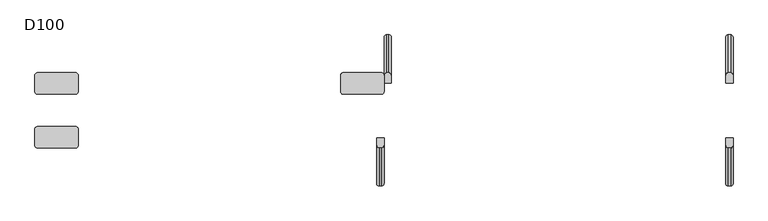
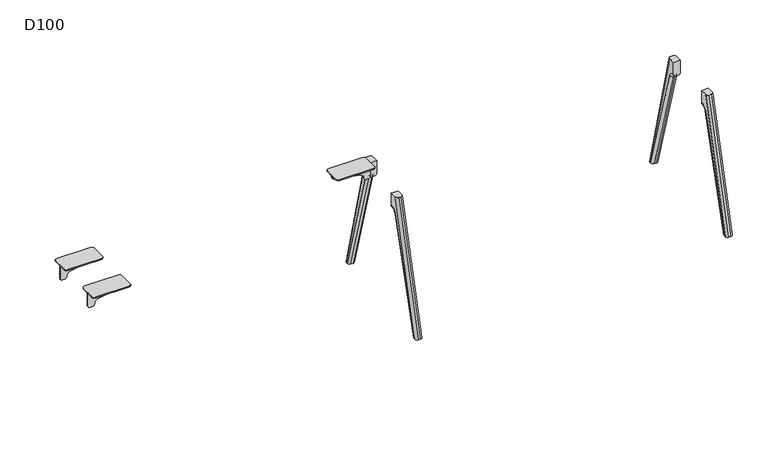
"""IFC4 building model written with IfcOpenShell, lengths in millimetres: furniture geometry, D100."""

from ifc_helpers import new_model, si_unit, point, frame, origin, place, context, project, spatial, polyline, circle_curve, ellipse_curve, trimmed, source, transform, mapped, element, save
from ifc_brep_helpers import plane_surface, cylinder_surface, revolved_surface, advanced_brep


def d100_c9286525(model_context):
    return source(origin(), model_context, "Body", "AdvancedBrep", [
        advanced_brep(
        [(-69.7259826, 165.2234902, 821.5334099), (-243.5086325, 165.2234902, 852.5006338), (-260.0, 165.2234902, 872.1904661), (-260.0, 165.2234902, 880.0006338), (0.0, 165.2234902, 880.0006338), (0.0, 165.2234902, 791.0006338), (-15.0, 165.2234902, 776.0006338), (-30.0, 165.2234902, 776.0006338), (-44.9963104, 165.2234902, 791.3333097), (-69.7259826, 159.2234902, 821.5334099), (-44.9963104, 159.2234902, 791.3333097), (-30.0, 159.2234902, 776.0006338), (-15.0, 159.2234902, 776.0006338), (0.0, 159.2234902, 791.0006338), (0.0, 159.2234902, 880.0006338), (-260.0, 159.2234902, 880.0006338), (-260.0, 159.2234902, 872.1904661), (-243.5086325, 159.2234902, 852.5006338), (0.0, 113.2234902, 886.0006338), (0.0, 113.2234902, 880.0006338), (0.0, 211.2234902, 880.0006338), (0.0, 211.2234902, 886.0006338), (-16.0, 227.2234902, 886.0006338), (-244.0, 227.2234902, 886.0006338), (-260.0, 211.2234902, 886.0006338), (-260.0, 113.2234902, 886.0006338), (-244.0, 97.2234902, 886.0006338), (-16.0, 97.2234902, 886.0006338), (-260.0, 211.2234902, 880.0006338), (-260.0, 113.2234902, 880.0006338), (-16.0, 97.2234902, 880.0006338), (-244.0, 97.2234902, 880.0006338), (-244.0, 227.2234902, 880.0006338), (-16.0, 227.2234902, 880.0006338)],
        [
            (0, 1),
            (1, 2, circle_curve(frame((-240.0, 165.2234902, 872.1904661), z_axis=(0.0, 1.0, 0.0), x_axis=(1.0, 0.0, 0.0)), 20.0)),
            (2, 3),
            (3, 4),
            (4, 5),
            (5, 6, circle_curve(frame((-15.0, 165.2234902, 791.0006338), z_axis=(0.0, 1.0, 0.0), x_axis=(1.0, 0.0, 0.0)), 15.0)),
            (6, 7),
            (7, 8, circle_curve(frame((-30.0, 165.2234902, 791.0006338), z_axis=(0.0, 1.0, 0.0), x_axis=(1.0, 0.0, 0.0)), 15.0)),
            (8, 0, circle_curve(frame((-74.9889313, 165.2234902, 791.9986614), z_axis=(0.0, -1.0, 0.0), x_axis=(1.0, 0.0, 0.0)), 30.0)),
            (9, 10, circle_curve(frame((-74.9889313, 159.2234902, 791.9986614), z_axis=(0.0, 1.0, 0.0), x_axis=(1.0, 0.0, 0.0)), 30.0)),
            (10, 11, circle_curve(frame((-30.0, 159.2234902, 791.0006338), z_axis=(0.0, -1.0, 0.0), x_axis=(1.0, 0.0, 0.0)), 15.0)),
            (11, 12),
            (12, 13, circle_curve(frame((-15.0, 159.2234902, 791.0006338), z_axis=(0.0, -1.0, 0.0), x_axis=(1.0, 0.0, 0.0)), 15.0)),
            (13, 14),
            (14, 15),
            (15, 16),
            (16, 17, circle_curve(frame((-240.0, 159.2234902, 872.1904661), z_axis=(0.0, -1.0, 0.0), x_axis=(1.0, 0.0, 0.0)), 20.0)),
            (17, 9),
            (8, 10),
            (9, 0),
            (18, 19),
            (19, 14),
            (13, 5),
            (4, 20),
            (20, 21),
            (21, 18),
            (21, 22, circle_curve(frame((-16.0, 211.2234902, 886.0006338), z_axis=(0.0, 0.0, 1.0), x_axis=(-1.0, 0.0, 0.0)), 16.0)),
            (22, 23),
            (23, 24, circle_curve(frame((-244.0, 211.2234902, 886.0006338), z_axis=(0.0, 0.0, 1.0), x_axis=(-1.0, 0.0, 0.0)), 16.0)),
            (24, 25),
            (25, 26, circle_curve(frame((-244.0, 113.2234902, 886.0006338), z_axis=(0.0, 0.0, 1.0), x_axis=(-1.0, 0.0, 0.0)), 16.0)),
            (26, 27),
            (27, 18, circle_curve(frame((-16.0, 113.2234902, 886.0006338), z_axis=(0.0, 0.0, 1.0), x_axis=(-1.0, 0.0, 0.0)), 16.0)),
            (24, 28),
            (28, 3),
            (2, 16),
            (15, 29),
            (29, 25),
            (1, 17),
            (7, 11),
            (6, 12),
            (30, 31),
            (31, 29, circle_curve(frame((-244.0, 113.2234902, 880.0006338), z_axis=(0.0, 0.0, -1.0), x_axis=(-1.0, 0.0, 0.0)), 16.0)),
            (19, 30, circle_curve(frame((-16.0, 113.2234902, 880.0006338), z_axis=(0.0, 0.0, -1.0), x_axis=(-1.0, 0.0, 0.0)), 16.0)),
            (28, 32, circle_curve(frame((-244.0, 211.2234902, 880.0006338), z_axis=(0.0, 0.0, -1.0), x_axis=(-1.0, 0.0, 0.0)), 16.0)),
            (32, 33),
            (33, 20, circle_curve(frame((-16.0, 211.2234902, 880.0006338), z_axis=(0.0, 0.0, -1.0), x_axis=(-1.0, 0.0, 0.0)), 16.0)),
            (27, 30),
            (33, 22),
            (32, 23),
            (31, 26),
        ],
        [
            plane_surface(frame((-243.5086325, 165.2234902, 852.5006338), z_axis=(0.0, 1.0000000000000002, 0.0), x_axis=(-0.9844916178685641, 0.0, 0.175431622994651))),
            plane_surface(frame((-243.5086325, 159.2234902, 852.5006338), z_axis=(0.0, -1.0000000000000002, 0.0), x_axis=(0.9844916178685641, 0.0, -0.175431622994651))),
            revolved_surface(polyline([(-44.988931300000004, 159.2234902, 791.9986614), (-44.988931300000004, 165.2234902, 791.9986614)]), (-74.9889313, 159.2234902, 791.9986614), (0.0, -1.0, 0.0)),
            plane_surface(frame((0.0, 165.2234902, 886.0006338), z_axis=(1.0, 0.0, 0.0), x_axis=(0.0, -1.0, 0.0))),
            plane_surface(frame((-260.0, 165.2234902, 886.0006338), z_axis=(0.0, 0.0, 1.0), x_axis=(0.0, -1.0, 0.0))),
            plane_surface(frame((-260.0, 165.2234902, 872.1904661), z_axis=(-1.0, 0.0, 0.0), x_axis=(0.0, -1.0, 0.0))),
            cylinder_surface(frame((-240.0, 159.2234902, 872.1904661), z_axis=(0.0, 1.0, 0.0), x_axis=(1.0, 0.0, 0.0)), 20.0),
            plane_surface(frame((-69.7259826, 165.2234902, 821.5334099), z_axis=(-0.175431622994651, 0.0, -0.9844916178685641), x_axis=(0.0, -1.0, 0.0))),
            cylinder_surface(frame((-30.0, 159.2234902, 791.0006338), z_axis=(0.0, 1.0, 0.0), x_axis=(1.0, 0.0, 0.0)), 15.0),
            plane_surface(frame((-15.0, 165.2234902, 776.0006338), z_axis=(0.0, 0.0, -1.0), x_axis=(0.0, -1.0, 0.0))),
            cylinder_surface(frame((-15.0, 159.2234902, 791.0006338), z_axis=(0.0, 1.0, 0.0), x_axis=(1.0, 0.0, 0.0)), 15.0),
            plane_surface(frame((-32.0, 113.2234902, 880.0006338), z_axis=(0.0, 0.0, -1.0), x_axis=(0.0, 1.0, 0.0))),
            cylinder_surface(frame((-16.0, 113.2234902, 880.0006338), z_axis=(0.0, 0.0, 1.0), x_axis=(-1.0, 0.0, 0.0)), 16.0),
            cylinder_surface(frame((-16.0, 211.2234902, 880.0006338), z_axis=(0.0, 0.0, 1.0), x_axis=(-1.0, 0.0, 0.0)), 16.0),
            plane_surface(frame((-16.0, 227.2234902, 886.0006338), z_axis=(0.0, 1.0, 0.0), x_axis=(0.0, 0.0, -1.0))),
            cylinder_surface(frame((-244.0, 211.2234902, 880.0006338), z_axis=(0.0, 0.0, 1.0), x_axis=(-1.0, 0.0, 0.0)), 16.0),
            cylinder_surface(frame((-244.0, 113.2234902, 880.0006338), z_axis=(0.0, 0.0, 1.0), x_axis=(-1.0, 0.0, 0.0)), 16.0),
            plane_surface(frame((-244.0, 97.2234902, 886.0006338), z_axis=(0.0, -1.0, 0.0), x_axis=(0.0, 0.0, -1.0))),
        ],
        [
            (0, [[1, 2, 3, 4, 5, 6, 7, 8, 9]]),
            (1, [[10, 11, 12, 13, 14, 15, 16, 17, 18]]),
            (2, [[-9, 19, -10, 20]]),
            (3, [[21, 22, -14, 23, -5, 24, 25, 26]]),
            (4, [[-26, 27, 28, 29, 30, 31, 32, 33]]),
            (5, [[-30, 34, 35, -3, 36, -16, 37, 38]]),
            (6, [[-2, 39, -17, -36]]),
            (7, [[-1, -20, -18, -39]]),
            (8, [[-8, 40, -11, -19]]),
            (9, [[-7, 41, -12, -40]]),
            (10, [[-6, -23, -13, -41]]),
            (11, [[42, 43, -37, -15, -22, 44]]),
            (11, [[45, 46, 47, -24, -4, -35]]),
            (12, [[-33, 48, -44, -21]]),
            (13, [[-27, -25, -47, 49]]),
            (14, [[-28, -49, -46, 50]]),
            (15, [[-29, -50, -45, -34]]),
            (16, [[-31, -38, -43, 51]]),
            (17, [[-32, -51, -42, -48]]),
        ],
    ),
        advanced_brep(
        [(-2029.2740174, -165.2234902, 821.5334099), (-1855.4913675, -165.2234902, 852.5006338), (-1839.0, -165.2234902, 872.1904661), (-1839.0, -165.2234902, 880.0006338), (-2099.0, -165.2234902, 880.0006338), (-2099.0, -165.2234902, 791.0006338), (-2084.0, -165.2234902, 776.0006338), (-2069.0, -165.2234902, 776.0006338), (-2054.0036896, -165.2234902, 791.3333097), (-2029.2740174, -159.2234902, 821.5334099), (-2054.0036896, -159.2234902, 791.3333097), (-2069.0, -159.2234902, 776.0006338), (-2084.0, -159.2234902, 776.0006338), (-2099.0, -159.2234902, 791.0006338), (-2099.0, -159.2234902, 880.0006338), (-1839.0, -159.2234902, 880.0006338), (-1839.0, -159.2234902, 872.1904661), (-1855.4913675, -159.2234902, 852.5006338), (-2099.0, -113.2234902, 886.0006338), (-2099.0, -113.2234902, 880.0006338), (-2099.0, -211.2234902, 880.0006338), (-2099.0, -211.2234902, 886.0006338), (-2083.0, -227.2234902, 886.0006338), (-1855.0, -227.2234902, 886.0006338), (-1839.0, -211.2234902, 886.0006338), (-1839.0, -113.2234902, 886.0006338), (-1855.0, -97.2234902, 886.0006338), (-2083.0, -97.2234902, 886.0006338), (-1839.0, -211.2234902, 880.0006338), (-1839.0, -113.2234902, 880.0006338), (-2083.0, -97.2234902, 880.0006338), (-1855.0, -97.2234902, 880.0006338), (-1855.0, -227.2234902, 880.0006338), (-2083.0, -227.2234902, 880.0006338)],
        [
            (0, 1),
            (1, 2, circle_curve(frame((-1859.0, -165.2234902, 872.1904661), z_axis=(0.0, -1.0, 0.0), x_axis=(-1.0, 0.0, 0.0)), 20.0)),
            (2, 3),
            (3, 4),
            (4, 5),
            (5, 6, circle_curve(frame((-2084.0, -165.2234902, 791.0006338), z_axis=(0.0, -1.0, 0.0), x_axis=(-1.0, 0.0, 0.0)), 15.0)),
            (6, 7),
            (7, 8, circle_curve(frame((-2069.0, -165.2234902, 791.0006338), z_axis=(0.0, -1.0, 0.0), x_axis=(-1.0, 0.0, 0.0)), 15.0)),
            (8, 0, circle_curve(frame((-2024.0110687, -165.2234902, 791.9986614), z_axis=(0.0, 1.0, 0.0), x_axis=(-1.0, 0.0, 0.0)), 30.0)),
            (9, 10, circle_curve(frame((-2024.0110687, -159.2234902, 791.9986614), z_axis=(0.0, -1.0, 0.0), x_axis=(-1.0, 0.0, 0.0)), 30.0)),
            (10, 11, circle_curve(frame((-2069.0, -159.2234902, 791.0006338), z_axis=(0.0, 1.0, 0.0), x_axis=(-1.0, 0.0, 0.0)), 15.0)),
            (11, 12),
            (12, 13, circle_curve(frame((-2084.0, -159.2234902, 791.0006338), z_axis=(0.0, 1.0, 0.0), x_axis=(-1.0, 0.0, 0.0)), 15.0)),
            (13, 14),
            (14, 15),
            (15, 16),
            (16, 17, circle_curve(frame((-1859.0, -159.2234902, 872.1904661), z_axis=(0.0, 1.0, 0.0), x_axis=(-1.0, 0.0, 0.0)), 20.0)),
            (17, 9),
            (8, 10),
            (9, 0),
            (18, 19),
            (19, 14),
            (13, 5),
            (4, 20),
            (20, 21),
            (21, 18),
            (21, 22, circle_curve(frame((-2083.0, -211.2234902, 886.0006338), z_axis=(0.0, 0.0, 1.0), x_axis=(1.0, 0.0, 0.0)), 16.0)),
            (22, 23),
            (23, 24, circle_curve(frame((-1855.0, -211.2234902, 886.0006338), z_axis=(0.0, 0.0, 1.0), x_axis=(1.0, 0.0, 0.0)), 16.0)),
            (24, 25),
            (25, 26, circle_curve(frame((-1855.0, -113.2234902, 886.0006338), z_axis=(0.0, 0.0, 1.0), x_axis=(1.0, 0.0, 0.0)), 16.0)),
            (26, 27),
            (27, 18, circle_curve(frame((-2083.0, -113.2234902, 886.0006338), z_axis=(0.0, 0.0, 1.0), x_axis=(1.0, 0.0, 0.0)), 16.0)),
            (24, 28),
            (28, 3),
            (2, 16),
            (15, 29),
            (29, 25),
            (1, 17),
            (7, 11),
            (6, 12),
            (30, 31),
            (31, 29, circle_curve(frame((-1855.0, -113.2234902, 880.0006338), z_axis=(0.0, 0.0, -1.0), x_axis=(1.0, 0.0, 0.0)), 16.0)),
            (19, 30, circle_curve(frame((-2083.0, -113.2234902, 880.0006338), z_axis=(0.0, 0.0, -1.0), x_axis=(1.0, 0.0, 0.0)), 16.0)),
            (28, 32, circle_curve(frame((-1855.0, -211.2234902, 880.0006338), z_axis=(0.0, 0.0, -1.0), x_axis=(1.0, 0.0, 0.0)), 16.0)),
            (32, 33),
            (33, 20, circle_curve(frame((-2083.0, -211.2234902, 880.0006338), z_axis=(0.0, 0.0, -1.0), x_axis=(1.0, 0.0, 0.0)), 16.0)),
            (27, 30),
            (33, 22),
            (32, 23),
            (31, 26),
        ],
        [
            plane_surface(frame((-1855.4913675, -165.2234902, 852.5006338), z_axis=(0.0, -1.0, 0.0), x_axis=(0.984491617868564, 0.0, 0.17543162299465118))),
            plane_surface(frame((-1855.4913675, -159.2234902, 852.5006338), z_axis=(0.0, 1.0, 0.0), x_axis=(-0.984491617868564, 0.0, -0.17543162299465118))),
            revolved_surface(polyline([(-2054.0110686999997, -159.2234902, 791.9986614), (-2054.0110686999997, -165.2234902, 791.9986614)]), (-2024.0110687, -159.2234902, 791.9986614), (0.0, 1.0, 0.0)),
            plane_surface(frame((-2099.0, -165.2234902, 886.0006338), z_axis=(-1.0, 0.0, 0.0), x_axis=(0.0, 1.0, 0.0))),
            plane_surface(frame((-1839.0, -165.2234902, 886.0006338), z_axis=(0.0, 0.0, 1.0), x_axis=(0.0, 1.0, 0.0))),
            plane_surface(frame((-1839.0, -165.2234902, 872.1904661), z_axis=(1.0, 0.0, 0.0), x_axis=(0.0, 1.0, 0.0))),
            cylinder_surface(frame((-1859.0, -159.2234902, 872.1904661), z_axis=(0.0, -1.0, 0.0), x_axis=(-1.0, 0.0, 0.0)), 20.0),
            plane_surface(frame((-2029.2740174, -165.2234902, 821.5334099), z_axis=(0.17543162299465118, 0.0, -0.984491617868564), x_axis=(0.0, 1.0, 0.0))),
            cylinder_surface(frame((-2069.0, -159.2234902, 791.0006338), z_axis=(0.0, -1.0, 0.0), x_axis=(-1.0, 0.0, 0.0)), 15.0),
            plane_surface(frame((-2084.0, -165.2234902, 776.0006338), z_axis=(0.0, 0.0, -1.0), x_axis=(0.0, 1.0, 0.0))),
            cylinder_surface(frame((-2084.0, -159.2234902, 791.0006338), z_axis=(0.0, -1.0, 0.0), x_axis=(-1.0, 0.0, 0.0)), 15.0),
            plane_surface(frame((-2067.0, -113.2234902, 880.0006338), z_axis=(0.0, 0.0, -1.0), x_axis=(0.0, -1.0, 0.0))),
            cylinder_surface(frame((-2083.0, -113.2234902, 880.0006338), z_axis=(0.0, 0.0, 1.0), x_axis=(1.0, 0.0, 0.0)), 16.0),
            cylinder_surface(frame((-2083.0, -211.2234902, 880.0006338), z_axis=(0.0, 0.0, 1.0), x_axis=(1.0, 0.0, 0.0)), 16.0),
            plane_surface(frame((-2083.0, -227.2234902, 886.0006338), z_axis=(0.0, -1.0, 0.0), x_axis=(0.0, 0.0, -1.0))),
            cylinder_surface(frame((-1855.0, -211.2234902, 880.0006338), z_axis=(0.0, 0.0, 1.0), x_axis=(1.0, 0.0, 0.0)), 16.0),
            cylinder_surface(frame((-1855.0, -113.2234902, 880.0006338), z_axis=(0.0, 0.0, 1.0), x_axis=(1.0, 0.0, 0.0)), 16.0),
            plane_surface(frame((-1855.0, -97.2234902, 886.0006338), z_axis=(0.0, 1.0, 0.0), x_axis=(0.0, 0.0, -1.0))),
        ],
        [
            (0, [[1, 2, 3, 4, 5, 6, 7, 8, 9]]),
            (1, [[10, 11, 12, 13, 14, 15, 16, 17, 18]]),
            (2, [[-9, 19, -10, 20]]),
            (3, [[21, 22, -14, 23, -5, 24, 25, 26]]),
            (4, [[-26, 27, 28, 29, 30, 31, 32, 33]]),
            (5, [[-30, 34, 35, -3, 36, -16, 37, 38]]),
            (6, [[-2, 39, -17, -36]]),
            (7, [[-1, -20, -18, -39]]),
            (8, [[-8, 40, -11, -19]]),
            (9, [[-7, 41, -12, -40]]),
            (10, [[-6, -23, -13, -41]]),
            (11, [[42, 43, -37, -15, -22, 44]]),
            (11, [[45, 46, 47, -24, -4, -35]]),
            (12, [[-33, 48, -44, -21]]),
            (13, [[-27, -25, -47, 49]]),
            (14, [[-28, -49, -46, 50]]),
            (15, [[-29, -50, -45, -34]]),
            (16, [[-31, -38, -43, 51]]),
            (17, [[-32, -51, -42, -48]]),
        ],
    ),
        advanced_brep(
        [(-2029.2740174, 165.2234902, 821.5334099), (-2054.0036896, 165.2234902, 791.3333097), (-2069.0, 165.2234902, 776.0006338), (-2084.0, 165.2234902, 776.0006338), (-2099.0, 165.2234902, 791.0006338), (-2099.0, 165.2234902, 880.0006338), (-1839.0, 165.2234902, 880.0006338), (-1839.0, 165.2234902, 872.1904661), (-1855.4913675, 165.2234902, 852.5006338), (-2029.2740174, 159.2234902, 821.5334099), (-1855.4913675, 159.2234902, 852.5006338), (-1839.0, 159.2234902, 872.1904661), (-1839.0, 159.2234902, 880.0006338), (-2099.0, 159.2234902, 880.0006338), (-2099.0, 159.2234902, 791.0006338), (-2084.0, 159.2234902, 776.0006338), (-2069.0, 159.2234902, 776.0006338), (-2054.0036896, 159.2234902, 791.3333097), (-2099.0, 113.2234902, 880.0006338), (-2099.0, 113.2234902, 886.0006338), (-2099.0, 211.2234902, 886.0006338), (-2099.0, 211.2234902, 880.0006338), (-2083.0, 97.2234902, 886.0006338), (-1855.0, 97.2234902, 886.0006338), (-1839.0, 113.2234902, 886.0006338), (-1839.0, 211.2234902, 886.0006338), (-1855.0, 227.2234902, 886.0006338), (-2083.0, 227.2234902, 886.0006338), (-1839.0, 113.2234902, 880.0006338), (-1839.0, 211.2234902, 880.0006338), (-2083.0, 97.2234902, 880.0006338), (-1855.0, 97.2234902, 880.0006338), (-2083.0, 227.2234902, 880.0006338), (-1855.0, 227.2234902, 880.0006338)],
        [
            (0, 1, circle_curve(frame((-2024.0110687, 165.2234902, 791.9986614), z_axis=(0.0, -1.0, 0.0), x_axis=(-1.0, 0.0, 0.0)), 30.0)),
            (1, 2, circle_curve(frame((-2069.0, 165.2234902, 791.0006338), z_axis=(0.0, 1.0, 0.0), x_axis=(-1.0, 0.0, 0.0)), 15.0)),
            (2, 3),
            (3, 4, circle_curve(frame((-2084.0, 165.2234902, 791.0006338), z_axis=(0.0, 1.0, 0.0), x_axis=(-1.0, 0.0, 0.0)), 15.0)),
            (4, 5),
            (5, 6),
            (6, 7),
            (7, 8, circle_curve(frame((-1859.0, 165.2234902, 872.1904661), z_axis=(0.0, 1.0, 0.0), x_axis=(-1.0, 0.0, 0.0)), 20.0)),
            (8, 0),
            (9, 10),
            (10, 11, circle_curve(frame((-1859.0, 159.2234902, 872.1904661), z_axis=(0.0, -1.0, 0.0), x_axis=(-1.0, 0.0, 0.0)), 20.0)),
            (11, 12),
            (12, 13),
            (13, 14),
            (14, 15, circle_curve(frame((-2084.0, 159.2234902, 791.0006338), z_axis=(0.0, -1.0, 0.0), x_axis=(-1.0, 0.0, 0.0)), 15.0)),
            (15, 16),
            (16, 17, circle_curve(frame((-2069.0, 159.2234902, 791.0006338), z_axis=(0.0, -1.0, 0.0), x_axis=(-1.0, 0.0, 0.0)), 15.0)),
            (17, 9, circle_curve(frame((-2024.0110687, 159.2234902, 791.9986614), z_axis=(0.0, 1.0, 0.0), x_axis=(-1.0, 0.0, 0.0)), 30.0)),
            (0, 9),
            (17, 1),
            (4, 14),
            (13, 18),
            (18, 19),
            (19, 20),
            (20, 21),
            (21, 5),
            (19, 22, circle_curve(frame((-2083.0, 113.2234902, 886.0006338), z_axis=(0.0, 0.0, 1.0), x_axis=(1.0, 0.0, 0.0)), 16.0)),
            (22, 23),
            (23, 24, circle_curve(frame((-1855.0, 113.2234902, 886.0006338), z_axis=(0.0, 0.0, 1.0), x_axis=(1.0, 0.0, 0.0)), 16.0)),
            (24, 25),
            (25, 26, circle_curve(frame((-1855.0, 211.2234902, 886.0006338), z_axis=(0.0, 0.0, 1.0), x_axis=(1.0, 0.0, 0.0)), 16.0)),
            (26, 27),
            (27, 20, circle_curve(frame((-2083.0, 211.2234902, 886.0006338), z_axis=(0.0, 0.0, 1.0), x_axis=(1.0, 0.0, 0.0)), 16.0)),
            (24, 28),
            (28, 12),
            (11, 7),
            (6, 29),
            (29, 25),
            (10, 8),
            (16, 2),
            (15, 3),
            (30, 18, circle_curve(frame((-2083.0, 113.2234902, 880.0006338), z_axis=(0.0, 0.0, -1.0), x_axis=(1.0, 0.0, 0.0)), 16.0)),
            (28, 31, circle_curve(frame((-1855.0, 113.2234902, 880.0006338), z_axis=(0.0, 0.0, -1.0), x_axis=(1.0, 0.0, 0.0)), 16.0)),
            (31, 30),
            (21, 32, circle_curve(frame((-2083.0, 211.2234902, 880.0006338), z_axis=(0.0, 0.0, -1.0), x_axis=(1.0, 0.0, 0.0)), 16.0)),
            (32, 33),
            (33, 29, circle_curve(frame((-1855.0, 211.2234902, 880.0006338), z_axis=(0.0, 0.0, -1.0), x_axis=(1.0, 0.0, 0.0)), 16.0)),
            (30, 22),
            (27, 32),
            (26, 33),
            (23, 31),
        ],
        [
            plane_surface(frame((-2054.0110687, 165.2234902, 791.9986614), z_axis=(0.0, 1.0, 0.0), x_axis=(0.0, 0.0, -1.0))),
            plane_surface(frame((-2054.0110687, 159.2234902, 791.9986614), z_axis=(0.0, -1.0, 0.0), x_axis=(0.0, 0.0, 1.0))),
            revolved_surface(polyline([(-2054.0110686999997, 159.2234902, 791.9986614), (-2054.0110686999997, 165.2234902, 791.9986614)]), (-2024.0110687, 159.2234902, 791.9986614), (0.0, -1.0, 0.0)),
            plane_surface(frame((-2099.0, 165.2234902, 791.0006338), z_axis=(-1.0, 0.0, 0.0), x_axis=(0.0, -1.0, 0.0))),
            plane_surface(frame((-2099.0, 165.2234902, 886.0006338), z_axis=(0.0, 0.0, 1.0), x_axis=(0.0, -1.0, 0.0))),
            plane_surface(frame((-1839.0, 165.2234902, 886.0006338), z_axis=(1.0, 0.0, 0.0), x_axis=(0.0, -1.0, 0.0))),
            cylinder_surface(frame((-1859.0, 159.2234902, 872.1904661), z_axis=(0.0, 1.0, 0.0), x_axis=(-1.0, 0.0, 0.0)), 20.0),
            plane_surface(frame((-1855.4913675, 165.2234902, 852.5006338), z_axis=(0.17543162299465118, 0.0, -0.984491617868564), x_axis=(0.0, -1.0, 0.0))),
            cylinder_surface(frame((-2069.0, 159.2234902, 791.0006338), z_axis=(0.0, 1.0, 0.0), x_axis=(-1.0, 0.0, 0.0)), 15.0),
            plane_surface(frame((-2069.0, 165.2234902, 776.0006338), z_axis=(0.0, 0.0, -1.0), x_axis=(0.0, -1.0, 0.0))),
            cylinder_surface(frame((-2084.0, 159.2234902, 791.0006338), z_axis=(0.0, 1.0, 0.0), x_axis=(-1.0, 0.0, 0.0)), 15.0),
            plane_surface(frame((-1855.0, 97.2234902, 880.0006338), z_axis=(0.0, 0.0, -1.0), x_axis=(-1.0, 0.0, 0.0))),
            cylinder_surface(frame((-2083.0, 113.2234902, 880.0006338), z_axis=(0.0, 0.0, 1.0), x_axis=(1.0, 0.0, 0.0)), 16.0),
            cylinder_surface(frame((-2083.0, 211.2234902, 880.0006338), z_axis=(0.0, 0.0, 1.0), x_axis=(1.0, 0.0, 0.0)), 16.0),
            plane_surface(frame((-1855.0, 227.2234902, 886.0006338), z_axis=(0.0, 1.0, 0.0), x_axis=(0.0, 0.0, -1.0))),
            cylinder_surface(frame((-1855.0, 211.2234902, 880.0006338), z_axis=(0.0, 0.0, 1.0), x_axis=(1.0, 0.0, 0.0)), 16.0),
            cylinder_surface(frame((-1855.0, 113.2234902, 880.0006338), z_axis=(0.0, 0.0, 1.0), x_axis=(1.0, 0.0, 0.0)), 16.0),
            plane_surface(frame((-2083.0, 97.2234902, 886.0006338), z_axis=(0.0, -1.0, 0.0), x_axis=(0.0, 0.0, -1.0))),
        ],
        [
            (0, [[1, 2, 3, 4, 5, 6, 7, 8, 9]]),
            (1, [[10, 11, 12, 13, 14, 15, 16, 17, 18]]),
            (2, [[-1, 19, -18, 20]]),
            (3, [[21, -14, 22, 23, 24, 25, 26, -5]]),
            (4, [[-24, 27, 28, 29, 30, 31, 32, 33]]),
            (5, [[-30, 34, 35, -12, 36, -7, 37, 38]]),
            (6, [[-8, -36, -11, 39]]),
            (7, [[-9, -39, -10, -19]]),
            (8, [[-2, -20, -17, 40]]),
            (9, [[-3, -40, -16, 41]]),
            (10, [[-4, -41, -15, -21]]),
            (11, [[42, -22, -13, -35, 43, 44]]),
            (11, [[45, 46, 47, -37, -6, -26]]),
            (12, [[-27, -23, -42, 48]]),
            (13, [[-33, 49, -45, -25]]),
            (14, [[-32, 50, -46, -49]]),
            (15, [[-31, -38, -47, -50]]),
            (16, [[-29, 51, -43, -34]]),
            (17, [[-28, -48, -44, -51]]),
        ],
    ),
        advanced_brep(
        [(2084.0, -196.7124504, 753.5883612), (2099.0, -211.1253977, 757.7437132), (2099.0, -429.58813, 0.0), (2084.0, -413.9771661, 0.0), (2054.0, -211.1253977, 757.7437132), (2069.0, -196.7124504, 753.5883612), (2069.0, -413.9771661, 0.0), (2054.0, -429.58813, 0.0), (2099.0, -166.9256926, 791.0006338), (2084.0, -166.9256926, 776.0006338), (2084.0, -165.2234902, 776.0006338), (2099.0, -165.2234902, 791.0006338), (2069.0, -166.9256926, 776.0006338), (2054.0, -166.9256926, 791.0006338), (2054.0, -165.2234902, 791.0006338), (2069.0, -165.2234902, 776.0006338), (2054.0, -165.2234902, 880.0006338), (2054.0, -439.8031746, 0.0), (2054.0, -211.7278851, 880.0006338), (2099.0, -165.2234902, 880.0006338), (2099.0, -211.7278851, 880.0006338), (2099.0, -439.8031746, 0.0), (2084.0, -455.2987797, 0.0), (2069.0, -455.2987797, 0.0), (2084.0, -227.2234902, 880.0006338), (2069.0, -227.2234902, 880.0006338)],
        [
            (0, 1, circle_curve(frame((2084.0, -211.1253977, 757.7437132), z_axis=(0.0, -0.2770234661368847, -0.9608631532166827), x_axis=(0.0, 0.9608631532166827, -0.2770234661368847)), 15.0)),
            (1, 2),
            (2, 3, ellipse_curve(frame((2084.0, -429.58813, 0.0), z_axis=(0.0, 0.0, 1.0), x_axis=(0.0, 1.0, 0.0)), 15.6109639, 15.0)),
            (3, 0),
            (4, 5, circle_curve(frame((2069.0, -211.1253977, 757.7437132), z_axis=(0.0, -0.2770234661368847, -0.9608631532166827), x_axis=(0.0, 0.9608631532166827, -0.2770234661368847)), 15.0)),
            (5, 6),
            (6, 7, ellipse_curve(frame((2069.0, -429.58813, 0.0), z_axis=(0.0, 0.0, 1.0), x_axis=(0.0, 1.0, 0.0)), 15.6109639, 15.0)),
            (7, 4),
            (8, 9, circle_curve(frame((2084.0, -166.9256926, 791.0006338), z_axis=(0.0, 1.0, 0.0), x_axis=(0.0, 0.0, -1.0)), 15.0)),
            (9, 10),
            (10, 11, circle_curve(frame((2084.0, -165.2234902, 791.0006338), z_axis=(0.0, -1.0, 0.0), x_axis=(0.0, 0.0, -1.0)), 15.0)),
            (11, 8),
            (12, 13, circle_curve(frame((2069.0, -166.9256926, 791.0006338), z_axis=(0.0, 1.0, 0.0), x_axis=(0.0, 0.0, -1.0)), 15.0)),
            (13, 14),
            (14, 15, circle_curve(frame((2069.0, -165.2234902, 791.0006338), z_axis=(0.0, -1.0, 0.0), x_axis=(0.0, 0.0, -1.0)), 15.0)),
            (15, 12),
            (0, 9, circle_curve(frame((2084.0, -166.9256926, 745.0006338), z_axis=(-1.0, 0.0, 0.0), x_axis=(0.0, -0.9608631532166849, 0.2770234661368772)), 31.0)),
            (8, 1, circle_curve(frame((2099.0, -166.9256926, 745.0006338), z_axis=(1.0, 0.0, 0.0), x_axis=(0.0, -0.9608631532166849, 0.2770234661368772)), 46.0)),
            (4, 13, circle_curve(frame((2054.0, -166.9256926, 745.0006338), z_axis=(-1.0, 0.0, 0.0), x_axis=(0.0, -0.9608631532166849, 0.2770234661368772)), 46.0)),
            (12, 5, circle_curve(frame((2069.0, -166.9256926, 745.0006338), z_axis=(1.0, 0.0, 0.0), x_axis=(0.0, -0.9608631532166849, 0.2770234661368772)), 31.0)),
            (16, 14),
            (7, 17),
            (17, 18),
            (18, 16),
            (11, 19),
            (19, 20),
            (20, 21),
            (21, 2),
            (5, 0),
            (3, 6),
            (21, 22, ellipse_curve(frame((2084.0, -439.8031746, 0.0), z_axis=(0.0, 0.0, -1.0), x_axis=(0.0, 1.0, 0.0)), 15.4956051, 15.0)),
            (22, 23),
            (23, 17, ellipse_curve(frame((2069.0, -439.8031746, 0.0), z_axis=(0.0, 0.0, -1.0), x_axis=(0.0, 1.0, 0.0)), 15.4956051, 15.0)),
            (22, 24),
            (24, 25),
            (25, 23),
            (19, 16),
            (18, 25, ellipse_curve(frame((2069.0, -211.7278851, 880.0006338), z_axis=(0.0, 0.0, 1.0), x_axis=(0.0, 1.0, 0.0)), 15.4956051, 15.0)),
            (24, 20, ellipse_curve(frame((2084.0, -211.7278851, 880.0006338), z_axis=(0.0, 0.0, 1.0), x_axis=(0.0, 1.0, 0.0)), 15.4956051, 15.0)),
            (10, 15),
            (9, 12),
        ],
        [
            cylinder_surface(frame((2084.0, -448.1062889, -64.2307193), z_axis=(0.0, 0.2770234661368847, 0.9608631532166827), x_axis=(0.0, 0.9608631532166827, -0.2770234661368847)), 15.0),
            cylinder_surface(frame((2069.0, -448.1062889, -64.2307193), z_axis=(0.0, 0.2770234661368847, 0.9608631532166827), x_axis=(0.0, 0.9608631532166827, -0.2770234661368847)), 15.0),
            cylinder_surface(frame((2084.0, -166.9256926, 791.0006338), z_axis=(0.0, 1.0, 0.0), x_axis=(0.0, 0.0, -1.0)), 15.0),
            cylinder_surface(frame((2069.0, -166.9256926, 791.0006338), z_axis=(0.0, 1.0, 0.0), x_axis=(0.0, 0.0, -1.0)), 15.0),
            revolved_surface(trimmed(ellipse_curve(frame((2084.0, -211.1253977, 757.7437132), z_axis=(0.0, -0.27702346613687723, -0.9608631532166849), x_axis=(0.0, 0.9608631532166849, -0.27702346613687723)), 15.0, 15.0), [point((2084.0, -196.7124504, 753.5883612))], [point((2099.0, -211.1253977, 757.7437132))], True, "CARTESIAN"), (1317.0, -166.9256926, 745.0006338), (-1.0, 0.0, 0.0)),
            revolved_surface(trimmed(ellipse_curve(frame((2069.0, -211.1253977, 757.7437132), z_axis=(0.0, -0.27702346613687723, -0.9608631532166849), x_axis=(0.0, 0.9608631532166849, -0.27702346613687723)), 15.0, 15.0), [point((2054.0, -211.1253977, 757.7437132))], [point((2069.0, -196.7124504, 753.5883612))], True, "CARTESIAN"), (1317.0, -166.9256926, 745.0006338), (-1.0, 0.0, 0.0)),
            plane_surface(frame((2054.0, -413.4231192, 1.9217263), z_axis=(-1.0000000000000002, 0.0, 0.0), x_axis=(0.0, -0.2770234661368848, -0.9608631532166828))),
            plane_surface(frame((2099.0, -413.4231192, 1.9217263), z_axis=(1.0000000000000002, 0.0, 0.0), x_axis=(0.0, 0.2770234661368848, 0.9608631532166828))),
            plane_surface(frame((2054.0, -196.7124504, 753.5883612), z_axis=(0.0, 0.9608631532166828, -0.2770234661368848), x_axis=(1.0, 0.0, 0.0))),
            plane_surface(frame((2054.0, -413.9771661, 0.0), z_axis=(0.0, 0.0, -1.0), x_axis=(1.0, 0.0, 0.0))),
            plane_surface(frame((2054.0, -455.2987797, 0.0), z_axis=(0.0, -0.9680164090089575, 0.25088689062883046), x_axis=(1.0, 0.0, 0.0))),
            plane_surface(frame((2054.0, -227.2234902, 880.0006338), z_axis=(0.0, 0.0, 1.0), x_axis=(1.0, 0.0, 0.0))),
            plane_surface(frame((2054.0, -165.2234902, 880.0006338), z_axis=(0.0, 1.0, 0.0), x_axis=(1.0, 0.0, 0.0))),
            plane_surface(frame((2054.0, -165.2234902, 776.0006338), z_axis=(0.0, 0.0, -1.0), x_axis=(1.0, 0.0, 0.0))),
            revolved_surface(polyline([(2084.0, -135.9256926, 745.0006338), (2069.0, -135.9256926, 745.0006338)]), (2099.0, -166.9256926, 745.0006338), (1.0, 0.0, 0.0)),
            cylinder_surface(frame((2084.0, -457.7527706, -69.2563225), z_axis=(0.0, 0.25088689062883374, 0.9680164090089567), x_axis=(0.0, 0.9680164090089567, -0.25088689062883374)), 15.0),
            cylinder_surface(frame((2069.0, -457.7527706, -69.2563225), z_axis=(0.0, 0.25088689062883374, 0.9680164090089567), x_axis=(0.0, 0.9680164090089567, -0.25088689062883374)), 15.0),
        ],
        [
            (0, [[1, 2, 3, 4]]),
            (1, [[5, 6, 7, 8]]),
            (2, [[9, 10, 11, 12]]),
            (3, [[13, 14, 15, 16]]),
            (4, [[-1, 17, -9, 18]]),
            (5, [[-5, 19, -13, 20]]),
            (6, [[21, -14, -19, -8, 22, 23, 24]]),
            (7, [[25, 26, 27, 28, -2, -18, -12]]),
            (8, [[29, -4, 30, -6]]),
            (9, [[-30, -3, -28, 31, 32, 33, -22, -7]]),
            (10, [[-32, 34, 35, 36]]),
            (11, [[37, -24, 38, -35, 39, -26]]),
            (12, [[-37, -25, -11, 40, -15, -21]]),
            (13, [[-40, -10, 41, -16]]),
            (14, [[-29, -20, -41, -17]]),
            (15, [[-27, -39, -34, -31]]),
            (16, [[-23, -33, -36, -38]]),
        ],
    ),
        advanced_brep(
        [(2084.0, 166.9256926, 776.0006338), (2099.0, 166.9256926, 791.0006338), (2099.0, 165.2234902, 791.0006338), (2084.0, 165.2234902, 776.0006338), (2054.0, 166.9256926, 791.0006338), (2069.0, 166.9256926, 776.0006338), (2069.0, 165.2234902, 776.0006338), (2054.0, 165.2234902, 791.0006338), (2099.0, 211.1253977, 757.7437132), (2084.0, 196.7124504, 753.5883612), (2084.0, 413.9771661, 0.0), (2099.0, 429.58813, 0.0), (2069.0, 196.7124504, 753.5883612), (2054.0, 211.1253977, 757.7437132), (2054.0, 429.58813, 0.0), (2069.0, 413.9771661, 0.0), (2054.0, 165.2234902, 880.0006338), (2054.0, 211.7278851, 880.0006338), (2054.0, 439.8031746, 0.0), (2099.0, 165.2234902, 880.0006338), (2099.0, 439.8031746, 0.0), (2099.0, 211.7278851, 880.0006338), (2069.0, 455.2987797, 0.0), (2084.0, 455.2987797, 0.0), (2069.0, 227.2234902, 880.0006338), (2084.0, 227.2234902, 880.0006338)],
        [
            (0, 1, circle_curve(frame((2084.0, 166.9256926, 791.0006338), z_axis=(0.0, -1.0, 0.0), x_axis=(0.0, 0.0, -1.0)), 15.0)),
            (1, 2),
            (2, 3, circle_curve(frame((2084.0, 165.2234902, 791.0006338), z_axis=(0.0, 1.0, 0.0), x_axis=(0.0, 0.0, -1.0)), 15.0)),
            (3, 0),
            (4, 5, circle_curve(frame((2069.0, 166.9256926, 791.0006338), z_axis=(0.0, -1.0, 0.0), x_axis=(0.0, 0.0, -1.0)), 15.0)),
            (5, 6),
            (6, 7, circle_curve(frame((2069.0, 165.2234902, 791.0006338), z_axis=(0.0, 1.0, 0.0), x_axis=(0.0, 0.0, -1.0)), 15.0)),
            (7, 4),
            (8, 9, circle_curve(frame((2084.0, 211.1253977, 757.7437132), z_axis=(0.0, 0.277023466136888, -0.9608631532166818), x_axis=(0.0, -0.9608631532166818, -0.277023466136888)), 15.0)),
            (9, 10),
            (10, 11, ellipse_curve(frame((2084.0, 429.58813, 0.0), z_axis=(0.0, 0.0, 1.0), x_axis=(0.0, 1.0, 0.0)), 15.6109639, 15.0)),
            (11, 8),
            (12, 13, circle_curve(frame((2069.0, 211.1253977, 757.7437132), z_axis=(0.0, 0.277023466136888, -0.9608631532166818), x_axis=(0.0, -0.9608631532166818, -0.277023466136888)), 15.0)),
            (13, 14),
            (14, 15, ellipse_curve(frame((2069.0, 429.58813, 0.0), z_axis=(0.0, 0.0, 1.0), x_axis=(0.0, 1.0, 0.0)), 15.6109639, 15.0)),
            (15, 12),
            (0, 9, circle_curve(frame((2084.0, 166.9256926, 745.0006338), z_axis=(-1.0, 0.0, 0.0), x_axis=(0.0, 0.0, 1.0)), 31.0)),
            (8, 1, circle_curve(frame((2099.0, 166.9256926, 745.0006338), z_axis=(1.0, 0.0, 0.0), x_axis=(0.0, 0.0, 1.0)), 46.0)),
            (4, 13, circle_curve(frame((2054.0, 166.9256926, 745.0006338), z_axis=(-1.0, 0.0, 0.0), x_axis=(0.0, 0.0, 1.0)), 46.0)),
            (12, 5, circle_curve(frame((2069.0, 166.9256926, 745.0006338), z_axis=(1.0, 0.0, 0.0), x_axis=(0.0, 0.0, 1.0)), 31.0)),
            (7, 16),
            (16, 17),
            (17, 18),
            (18, 14),
            (19, 2),
            (11, 20),
            (20, 21),
            (21, 19),
            (15, 10),
            (9, 12),
            (18, 22, ellipse_curve(frame((2069.0, 439.8031746, 0.0), z_axis=(0.0, 0.0, -1.0), x_axis=(0.0, -1.0, 0.0)), 15.4956051, 15.0)),
            (22, 23),
            (23, 20, ellipse_curve(frame((2084.0, 439.8031746, 0.0), z_axis=(0.0, 0.0, -1.0), x_axis=(0.0, -1.0, 0.0)), 15.4956051, 15.0)),
            (22, 24),
            (24, 25),
            (25, 23),
            (16, 19),
            (21, 25, ellipse_curve(frame((2084.0, 211.7278851, 880.0006338), z_axis=(0.0, 0.0, 1.0), x_axis=(0.0, -1.0, 0.0)), 15.4956051, 15.0)),
            (24, 17, ellipse_curve(frame((2069.0, 211.7278851, 880.0006338), z_axis=(0.0, 0.0, 1.0), x_axis=(0.0, -1.0, 0.0)), 15.4956051, 15.0)),
            (6, 3),
            (5, 0),
        ],
        [
            cylinder_surface(frame((2084.0, -166.9256926, 791.0006338), z_axis=(0.0, 1.0, 0.0), x_axis=(0.0, 0.0, -1.0)), 15.0),
            cylinder_surface(frame((2069.0, -166.9256926, 791.0006338), z_axis=(0.0, 1.0, 0.0), x_axis=(0.0, 0.0, -1.0)), 15.0),
            cylinder_surface(frame((2084.0, 211.1253977, 757.7437132), z_axis=(0.0, 0.277023466136888, -0.9608631532166818), x_axis=(0.0, -0.9608631532166818, -0.277023466136888)), 15.0),
            cylinder_surface(frame((2069.0, 211.1253977, 757.7437132), z_axis=(0.0, 0.277023466136888, -0.9608631532166818), x_axis=(0.0, -0.9608631532166818, -0.277023466136888)), 15.0),
            revolved_surface(trimmed(ellipse_curve(frame((2084.0, 166.9256926, 791.0006338), z_axis=(0.0, -1.0, 0.0), x_axis=(0.0, 0.0, -1.0)), 15.0, 15.0), [point((2084.0, 166.9256926, 776.0006338))], [point((2099.0, 166.9256926, 791.0006338))], True, "CARTESIAN"), (1317.0, 166.9256926, 745.0006338), (-1.0, 0.0, 0.0)),
            revolved_surface(trimmed(ellipse_curve(frame((2069.0, 166.9256926, 791.0006338), z_axis=(0.0, -1.0, 0.0), x_axis=(0.0, 0.0, -1.0)), 15.0, 15.0), [point((2054.0, 166.9256926, 791.0006338))], [point((2069.0, 166.9256926, 776.0006338))], True, "CARTESIAN"), (1317.0, 166.9256926, 745.0006338), (-1.0, 0.0, 0.0)),
            plane_surface(frame((2054.0, 135.9256926, 745.0006338), z_axis=(-1.0, 0.0, 0.0), x_axis=(0.0, 0.0, -1.0))),
            plane_surface(frame((2099.0, 135.9256926, 745.0006338), z_axis=(1.0, 0.0, 0.0), x_axis=(0.0, 0.0, 1.0))),
            plane_surface(frame((2054.0, 413.9771661, 0.0), z_axis=(0.0, -0.9608631532166828, -0.2770234661368848), x_axis=(1.0, 0.0, 0.0))),
            plane_surface(frame((2054.0, 455.2987797, 0.0), z_axis=(0.0, 0.0, -1.0), x_axis=(1.0, 0.0, 0.0))),
            plane_surface(frame((2054.0, 227.2234902, 880.0006338), z_axis=(0.0, 0.9680164090089575, 0.25088689062883046), x_axis=(1.0, 0.0, 0.0))),
            plane_surface(frame((2054.0, 165.2234902, 880.0006338), z_axis=(0.0, 0.0, 1.0), x_axis=(1.0, 0.0, 0.0))),
            plane_surface(frame((2054.0, 165.2234902, 776.0006338), z_axis=(0.0, -1.0, 0.0), x_axis=(1.0, 0.0, 0.0))),
            plane_surface(frame((2054.0, 166.9256926, 776.0006338), z_axis=(0.0, 0.0, -1.0), x_axis=(1.0, 0.0, 0.0))),
            revolved_surface(polyline([(2084.0, 135.9256926, 745.0006338), (2069.0, 135.9256926, 745.0006338)]), (2099.0, 166.9256926, 745.0006338), (1.0, 0.0, 0.0)),
            cylinder_surface(frame((2084.0, 457.7527706, -69.2563225), z_axis=(0.0, -0.25088689062883374, 0.9680164090089567), x_axis=(0.0, 0.9680164090089567, 0.25088689062883374)), 15.0),
            cylinder_surface(frame((2069.0, 457.7527706, -69.2563225), z_axis=(0.0, -0.25088689062883374, 0.9680164090089567), x_axis=(0.0, 0.9680164090089567, 0.25088689062883374)), 15.0),
        ],
        [
            (0, [[1, 2, 3, 4]]),
            (1, [[5, 6, 7, 8]]),
            (2, [[9, 10, 11, 12]]),
            (3, [[13, 14, 15, 16]]),
            (4, [[-1, 17, -9, 18]]),
            (5, [[-5, 19, -13, 20]]),
            (6, [[21, 22, 23, 24, -14, -19, -8]]),
            (7, [[25, -2, -18, -12, 26, 27, 28]]),
            (8, [[29, -10, 30, -16]]),
            (9, [[-29, -15, -24, 31, 32, 33, -26, -11]]),
            (10, [[-32, 34, 35, 36]]),
            (11, [[37, -28, 38, -35, 39, -22]]),
            (12, [[-37, -21, -7, 40, -3, -25]]),
            (13, [[-40, -6, 41, -4]]),
            (14, [[-41, -20, -30, -17]]),
            (15, [[-27, -33, -36, -38]]),
            (16, [[-23, -39, -34, -31]]),
        ],
    ),
        advanced_brep(
        [(45.0, 211.7278851, 880.0006338), (45.0, 165.2234902, 880.0006338), (45.0, 165.2234902, 791.0006338), (45.0, 166.9256926, 791.0006338), (45.0, 211.1253977, 757.7437132), (45.0, 429.58813, 0.0), (45.0, 439.8031746, 0.0), (0.0, 165.2234902, 880.0006338), (0.0, 211.7278851, 880.0006338), (0.0, 439.8031746, 0.0), (0.0, 429.58813, 0.0), (0.0, 211.1253977, 757.7437132), (0.0, 166.9256926, 791.0006338), (0.0, 165.2234902, 791.0006338), (30.0, 196.7124504, 753.5883612), (15.0, 196.7124504, 753.5883612), (15.0, 413.9771661, 0.0), (30.0, 413.9771661, 0.0), (15.0, 455.2987797, 0.0), (30.0, 455.2987797, 0.0), (15.0, 227.2234902, 880.0006338), (30.0, 227.2234902, 880.0006338), (15.0, 165.2234902, 776.0006338), (30.0, 165.2234902, 776.0006338), (15.0, 166.9256926, 776.0006338), (30.0, 166.9256926, 776.0006338)],
        [
            (0, 1),
            (1, 2),
            (2, 3),
            (3, 4, circle_curve(frame((45.0, 166.9256926, 745.0006338), z_axis=(-1.0, 0.0, 0.0), x_axis=(0.0, 0.0, 1.0)), 46.0)),
            (4, 5),
            (5, 6),
            (6, 0),
            (7, 8),
            (8, 9),
            (9, 10),
            (10, 11),
            (11, 12, circle_curve(frame((0.0, 166.9256926, 745.0006338), z_axis=(1.0, 0.0, 0.0), x_axis=(0.0, 0.0, 1.0)), 46.0)),
            (12, 13),
            (13, 7),
            (14, 15),
            (15, 16),
            (16, 17),
            (17, 14),
            (18, 19),
            (19, 6, ellipse_curve(frame((30.0, 439.8031746, 0.0), z_axis=(0.0, 0.0, -1.0), x_axis=(0.0, -1.0, 0.0)), 15.4956051, 15.0)),
            (5, 17, ellipse_curve(frame((30.0, 429.58813, 0.0), z_axis=(0.0, 0.0, -1.0), x_axis=(0.0, 1.0, 0.0)), 15.6109639, 15.0)),
            (16, 10, ellipse_curve(frame((15.0, 429.58813, 0.0), z_axis=(0.0, 0.0, -1.0), x_axis=(0.0, 1.0, 0.0)), 15.6109639, 15.0)),
            (9, 18, ellipse_curve(frame((15.0, 439.8031746, 0.0), z_axis=(0.0, 0.0, -1.0), x_axis=(0.0, -1.0, 0.0)), 15.4956051, 15.0)),
            (18, 20),
            (20, 21),
            (21, 19),
            (7, 1),
            (0, 21, ellipse_curve(frame((30.0, 211.7278851, 880.0006338), z_axis=(0.0, 0.0, 1.0), x_axis=(0.0, -1.0, 0.0)), 15.4956051, 15.0)),
            (20, 8, ellipse_curve(frame((15.0, 211.7278851, 880.0006338), z_axis=(0.0, 0.0, 1.0), x_axis=(0.0, -1.0, 0.0)), 15.4956051, 15.0)),
            (13, 22, circle_curve(frame((15.0, 165.2234902, 791.0006338), z_axis=(0.0, -1.0, 0.0), x_axis=(0.0, 0.0, 1.0)), 15.0)),
            (22, 23),
            (23, 2, circle_curve(frame((30.0, 165.2234902, 791.0006338), z_axis=(0.0, -1.0, 0.0), x_axis=(0.0, 0.0, 1.0)), 15.0)),
            (22, 24),
            (24, 25),
            (25, 23),
            (14, 25, circle_curve(frame((30.0, 166.9256926, 745.0006338), z_axis=(1.0, 0.0, 0.0), x_axis=(0.0, -1.0, 0.0)), 31.0)),
            (24, 15, circle_curve(frame((15.0, 166.9256926, 745.0006338), z_axis=(-1.0, 0.0, 0.0), x_axis=(0.0, -1.0, 0.0)), 31.0)),
            (12, 24, circle_curve(frame((15.0, 166.9256926, 791.0006338), z_axis=(0.0, -1.0, 0.0), x_axis=(0.0, 0.0, 1.0)), 15.0)),
            (25, 3, circle_curve(frame((30.0, 166.9256926, 791.0006338), z_axis=(0.0, -1.0, 0.0), x_axis=(0.0, 0.0, 1.0)), 15.0)),
            (15, 11, circle_curve(frame((15.0, 211.1253977, 757.7437132), z_axis=(0.0, 0.277023466136888, -0.9608631532166818), x_axis=(0.0, 0.9608631532166818, 0.277023466136888)), 15.0)),
            (4, 14, circle_curve(frame((30.0, 211.1253977, 757.7437132), z_axis=(0.0, 0.277023466136888, -0.9608631532166818), x_axis=(0.0, 0.9608631532166818, 0.277023466136888)), 15.0)),
        ],
        [
            plane_surface(frame((45.0, 413.4231192, 1.9217263), z_axis=(1.0000000000000002, 0.0, 0.0), x_axis=(0.0, 0.2770234661368848, -0.9608631532166828))),
            plane_surface(frame((0.0, 413.4231192, 1.9217263), z_axis=(-1.0000000000000002, 0.0, 0.0), x_axis=(0.0, -0.2770234661368848, 0.9608631532166828))),
            plane_surface(frame((45.0, 196.7124504, 753.5883612), z_axis=(0.0, -0.9608631532166828, -0.2770234661368848), x_axis=(-1.0, 0.0, 0.0))),
            plane_surface(frame((45.0, 413.9771661, 0.0), z_axis=(0.0, 0.0, -1.0), x_axis=(-1.0, 0.0, 0.0))),
            plane_surface(frame((45.0, 455.2987797, 0.0), z_axis=(0.0, 0.9680164090089575, 0.25088689062883046), x_axis=(-1.0, 0.0, 0.0))),
            plane_surface(frame((45.0, 227.2234902, 880.0006338), z_axis=(0.0, 0.0, 1.0), x_axis=(-1.0, 0.0, 0.0))),
            plane_surface(frame((45.0, 165.2234902, 880.0006338), z_axis=(0.0, -1.0, 0.0), x_axis=(-1.0, 0.0, 0.0))),
            plane_surface(frame((45.0, 165.2234902, 776.0006338), z_axis=(0.0, 0.0, -1.0), x_axis=(-1.0, 0.0, 0.0))),
            revolved_surface(polyline([(15.0, 135.9256926, 745.0006338), (30.0, 135.9256926, 745.0006338)]), (0.0, 166.9256926, 745.0006338), (-1.0, 0.0, 0.0)),
            cylinder_surface(frame((15.0, 457.7527706, -69.2563225), z_axis=(0.0, -0.25088689062883374, 0.9680164090089567), x_axis=(0.0, -0.9680164090089567, -0.25088689062883374)), 15.0),
            cylinder_surface(frame((30.0, 457.7527706, -69.2563225), z_axis=(0.0, -0.25088689062883374, 0.9680164090089567), x_axis=(0.0, -0.9680164090089567, -0.25088689062883374)), 15.0),
            cylinder_surface(frame((15.0, -166.9256926, 791.0006338), z_axis=(0.0, 1.0, 0.0), x_axis=(0.0, 0.0, 1.0)), 15.0),
            cylinder_surface(frame((30.0, -166.9256926, 791.0006338), z_axis=(0.0, 1.0, 0.0), x_axis=(0.0, 0.0, 1.0)), 15.0),
            cylinder_surface(frame((15.0, 211.1253977, 757.7437132), z_axis=(0.0, 0.277023466136888, -0.9608631532166818), x_axis=(0.0, 0.9608631532166818, 0.277023466136888)), 15.0),
            cylinder_surface(frame((30.0, 211.1253977, 757.7437132), z_axis=(0.0, 0.277023466136888, -0.9608631532166818), x_axis=(0.0, 0.9608631532166818, 0.277023466136888)), 15.0),
            revolved_surface(trimmed(ellipse_curve(frame((15.0, 166.9256926, 791.0006338), z_axis=(0.0, -1.0, 0.0), x_axis=(0.0, 0.0, 1.0)), 15.0, 15.0), [point((0.0, 166.9256926, 791.0006338))], [point((15.0, 166.9256926, 776.0006338))], True, "CARTESIAN"), (782.0, 166.9256926, 745.0006338), (-1.0, 0.0, 0.0)),
            revolved_surface(trimmed(ellipse_curve(frame((30.0, 166.9256926, 791.0006338), z_axis=(0.0, -1.0, 0.0), x_axis=(0.0, 0.0, 1.0)), 15.0, 15.0), [point((30.0, 166.9256926, 776.0006338))], [point((45.0, 166.9256926, 791.0006338))], True, "CARTESIAN"), (782.0, 166.9256926, 745.0006338), (-1.0, 0.0, 0.0)),
        ],
        [
            (0, [[1, 2, 3, 4, 5, 6, 7]]),
            (1, [[8, 9, 10, 11, 12, 13, 14]]),
            (2, [[15, 16, 17, 18]]),
            (3, [[19, 20, -6, 21, -17, 22, -10, 23]]),
            (4, [[-19, 24, 25, 26]]),
            (5, [[27, -1, 28, -25, 29, -8]]),
            (6, [[-27, -14, 30, 31, 32, -2]]),
            (7, [[-31, 33, 34, 35]]),
            (8, [[-15, 36, -34, 37]]),
            (9, [[-9, -29, -24, -23]]),
            (10, [[-7, -20, -26, -28]]),
            (11, [[38, -33, -30, -13]]),
            (12, [[39, -3, -32, -35]]),
            (13, [[40, -11, -22, -16]]),
            (14, [[41, -18, -21, -5]]),
            (15, [[-38, -12, -40, -37]]),
            (16, [[-39, -36, -41, -4]]),
        ],
    ),
        advanced_brep(
        [(0.0, -439.8031746, 0.0), (0.0, -211.7278851, 880.0006338), (-15.0, -227.2234902, 880.0006338), (-15.0, -455.2987797, 0.0), (-45.0, -211.7278851, 880.0006338), (-45.0, -439.8031746, 0.0), (-30.0, -455.2987797, 0.0), (-30.0, -227.2234902, 880.0006338), (-45.0, -165.2234902, 880.0006338), (-45.0, -165.2234902, 791.0006338), (-45.0, -166.9256926, 791.0006338), (-45.0, -211.1253977, 757.7437132), (-45.0, -429.58813, 0.0), (0.0, -165.2234902, 880.0006338), (0.0, -429.58813, 0.0), (0.0, -211.1253977, 757.7437132), (0.0, -166.9256926, 791.0006338), (0.0, -165.2234902, 791.0006338), (-30.0, -196.7124504, 753.5883612), (-15.0, -196.7124504, 753.5883612), (-15.0, -413.9771661, 0.0), (-30.0, -413.9771661, 0.0), (-15.0, -165.2234902, 776.0006338), (-30.0, -165.2234902, 776.0006338), (-15.0, -166.9256926, 776.0006338), (-30.0, -166.9256926, 776.0006338)],
        [
            (0, 1),
            (1, 2, ellipse_curve(frame((-15.0, -211.7278851, 880.0006338), z_axis=(0.0, 0.0, -1.0), x_axis=(0.0, 1.0, 0.0)), 15.4956051, 15.0)),
            (2, 3),
            (3, 0, ellipse_curve(frame((-15.0, -439.8031746, 0.0), z_axis=(0.0, 0.0, 1.0), x_axis=(0.0, 1.0, 0.0)), 15.4956051, 15.0)),
            (4, 5),
            (5, 6, ellipse_curve(frame((-30.0, -439.8031746, 0.0), z_axis=(0.0, 0.0, 1.0), x_axis=(0.0, 1.0, 0.0)), 15.4956051, 15.0)),
            (6, 7),
            (7, 4, ellipse_curve(frame((-30.0, -211.7278851, 880.0006338), z_axis=(0.0, 0.0, -1.0), x_axis=(0.0, 1.0, 0.0)), 15.4956051, 15.0)),
            (4, 8),
            (8, 9),
            (9, 10),
            (10, 11, circle_curve(frame((-45.0, -166.9256926, 745.0006338), z_axis=(1.0, 0.0, 0.0), x_axis=(0.0, -0.9608631532166849, 0.2770234661368772)), 46.0)),
            (11, 12),
            (12, 5),
            (13, 1),
            (0, 14),
            (14, 15),
            (15, 16, circle_curve(frame((0.0, -166.9256926, 745.0006338), z_axis=(-1.0, 0.0, 0.0), x_axis=(0.0, -0.9608631532166849, 0.2770234661368772)), 46.0)),
            (16, 17),
            (17, 13),
            (18, 19),
            (19, 20),
            (20, 21),
            (21, 18),
            (3, 6),
            (12, 21, ellipse_curve(frame((-30.0, -429.58813, 0.0), z_axis=(0.0, 0.0, -1.0), x_axis=(0.0, 1.0, 0.0)), 15.6109639, 15.0)),
            (20, 14, ellipse_curve(frame((-15.0, -429.58813, 0.0), z_axis=(0.0, 0.0, -1.0), x_axis=(0.0, 1.0, 0.0)), 15.6109639, 15.0)),
            (2, 7),
            (13, 8),
            (17, 22, circle_curve(frame((-15.0, -165.2234902, 791.0006338), z_axis=(0.0, 1.0, 0.0), x_axis=(0.0, 0.0, -1.0)), 15.0)),
            (22, 23),
            (23, 9, circle_curve(frame((-30.0, -165.2234902, 791.0006338), z_axis=(0.0, 1.0, 0.0), x_axis=(0.0, 0.0, -1.0)), 15.0)),
            (22, 24),
            (24, 25),
            (25, 23),
            (18, 25, circle_curve(frame((-30.0, -166.9256926, 745.0006338), z_axis=(-1.0, 0.0, 0.0), x_axis=(0.0, 1.0, 0.0)), 31.0)),
            (24, 19, circle_curve(frame((-15.0, -166.9256926, 745.0006338), z_axis=(1.0, 0.0, 0.0), x_axis=(0.0, 1.0, 0.0)), 31.0)),
            (19, 15, circle_curve(frame((-15.0, -211.1253977, 757.7437132), z_axis=(0.0, -0.2770234661368847, -0.9608631532166827), x_axis=(0.0, 0.9608631532166827, -0.2770234661368847)), 15.0)),
            (11, 18, circle_curve(frame((-30.0, -211.1253977, 757.7437132), z_axis=(0.0, -0.2770234661368847, -0.9608631532166827), x_axis=(0.0, 0.9608631532166827, -0.2770234661368847)), 15.0)),
            (16, 24, circle_curve(frame((-15.0, -166.9256926, 791.0006338), z_axis=(0.0, 1.0, 0.0), x_axis=(0.0, 0.0, -1.0)), 15.0)),
            (25, 10, circle_curve(frame((-30.0, -166.9256926, 791.0006338), z_axis=(0.0, 1.0, 0.0), x_axis=(0.0, 0.0, -1.0)), 15.0)),
        ],
        [
            cylinder_surface(frame((-15.0, -457.7527706, -69.2563225), z_axis=(0.0, 0.25088689062883374, 0.9680164090089567), x_axis=(0.0, 0.9680164090089567, -0.25088689062883374)), 15.0),
            cylinder_surface(frame((-30.0, -457.7527706, -69.2563225), z_axis=(0.0, 0.25088689062883374, 0.9680164090089567), x_axis=(0.0, 0.9680164090089567, -0.25088689062883374)), 15.0),
            plane_surface(frame((-45.0, -413.4231192, 1.9217263), z_axis=(-1.0000000000000002, 0.0, 0.0), x_axis=(0.0, -0.2770234661368848, -0.9608631532166828))),
            plane_surface(frame((0.0, -413.4231192, 1.9217263), z_axis=(1.0000000000000002, 0.0, 0.0), x_axis=(0.0, 0.2770234661368848, 0.9608631532166828))),
            plane_surface(frame((-45.0, -196.7124504, 753.5883612), z_axis=(0.0, 0.9608631532166828, -0.2770234661368848), x_axis=(1.0, 0.0, 0.0))),
            plane_surface(frame((-45.0, -413.9771661, 0.0), z_axis=(0.0, 0.0, -1.0), x_axis=(1.0, 0.0, 0.0))),
            plane_surface(frame((-45.0, -455.2987797, 0.0), z_axis=(0.0, -0.9680164090089575, 0.25088689062883046), x_axis=(1.0, 0.0, 0.0))),
            plane_surface(frame((-45.0, -227.2234902, 880.0006338), z_axis=(0.0, 0.0, 1.0), x_axis=(1.0, 0.0, 0.0))),
            plane_surface(frame((-45.0, -165.2234902, 880.0006338), z_axis=(0.0, 1.0, 0.0), x_axis=(1.0, 0.0, 0.0))),
            plane_surface(frame((-45.0, -165.2234902, 776.0006338), z_axis=(0.0, 0.0, -1.0), x_axis=(1.0, 0.0, 0.0))),
            revolved_surface(polyline([(-15.0, -135.9256926, 745.0006338), (-30.0, -135.9256926, 745.0006338)]), (0.0, -166.9256926, 745.0006338), (1.0, 0.0, 0.0)),
            cylinder_surface(frame((-15.0, -448.1062889, -64.2307193), z_axis=(0.0, 0.2770234661368847, 0.9608631532166827), x_axis=(0.0, 0.9608631532166827, -0.2770234661368847)), 15.0),
            cylinder_surface(frame((-30.0, -448.1062889, -64.2307193), z_axis=(0.0, 0.2770234661368847, 0.9608631532166827), x_axis=(0.0, 0.9608631532166827, -0.2770234661368847)), 15.0),
            cylinder_surface(frame((-15.0, -166.9256926, 791.0006338), z_axis=(0.0, 1.0, 0.0), x_axis=(0.0, 0.0, -1.0)), 15.0),
            cylinder_surface(frame((-30.0, -166.9256926, 791.0006338), z_axis=(0.0, 1.0, 0.0), x_axis=(0.0, 0.0, -1.0)), 15.0),
            revolved_surface(trimmed(ellipse_curve(frame((-15.0, -211.1253977, 757.7437132), z_axis=(0.0, -0.27702346613687723, -0.9608631532166849), x_axis=(0.0, 0.9608631532166849, -0.27702346613687723)), 15.0, 15.0), [point((-15.0, -196.7124504, 753.5883612))], [point((0.0, -211.1253977, 757.7437132))], True, "CARTESIAN"), (-782.0, -166.9256926, 745.0006338), (-1.0, 0.0, 0.0)),
            revolved_surface(trimmed(ellipse_curve(frame((-30.0, -211.1253977, 757.7437132), z_axis=(0.0, -0.27702346613687723, -0.9608631532166849), x_axis=(0.0, 0.9608631532166849, -0.27702346613687723)), 15.0, 15.0), [point((-45.0, -211.1253977, 757.7437132))], [point((-30.0, -196.7124504, 753.5883612))], True, "CARTESIAN"), (-782.0, -166.9256926, 745.0006338), (-1.0, 0.0, 0.0)),
        ],
        [
            (0, [[1, 2, 3, 4]]),
            (1, [[5, 6, 7, 8]]),
            (2, [[9, 10, 11, 12, 13, 14, -5]]),
            (3, [[15, -1, 16, 17, 18, 19, 20]]),
            (4, [[21, 22, 23, 24]]),
            (5, [[25, -6, -14, 26, -23, 27, -16, -4]]),
            (6, [[-25, -3, 28, -7]]),
            (7, [[29, -9, -8, -28, -2, -15]]),
            (8, [[-29, -20, 30, 31, 32, -10]]),
            (9, [[-31, 33, 34, 35]]),
            (10, [[-21, 36, -34, 37]]),
            (11, [[38, -17, -27, -22]]),
            (12, [[39, -24, -26, -13]]),
            (13, [[40, -33, -30, -19]]),
            (14, [[41, -11, -32, -35]]),
            (15, [[-38, -37, -40, -18]]),
            (16, [[-39, -12, -41, -36]]),
        ],
    ),
    ])


if __name__ == "__main__":
    model = new_model("IFC4")
    model_context = context("Model", 3, world=origin())
    ifc_project = project(units=[si_unit("LENGTHUNIT", "METRE", prefix="MILLI")], contexts=[model_context])
    site = spatial("IfcSite", under=ifc_project)
    building = spatial("IfcBuilding", under=site)
    placement = place(None, origin())
    d100_shape = d100_c9286525(model_context)
    element("IfcFurniture", 1, ObjectType="D100", at=placement, inside=building, context=model_context, shape_type="MappedRepresentation", body=[
        mapped(d100_shape, transform((0.0, 0.0, 0.0), x_axis=(1.0, 0.0, 0.0), y_axis=(0.0, 1.0, 0.0), z_axis=(0.0, 0.0, 1.0))),
    ])
    save(model, "model.ifc")
